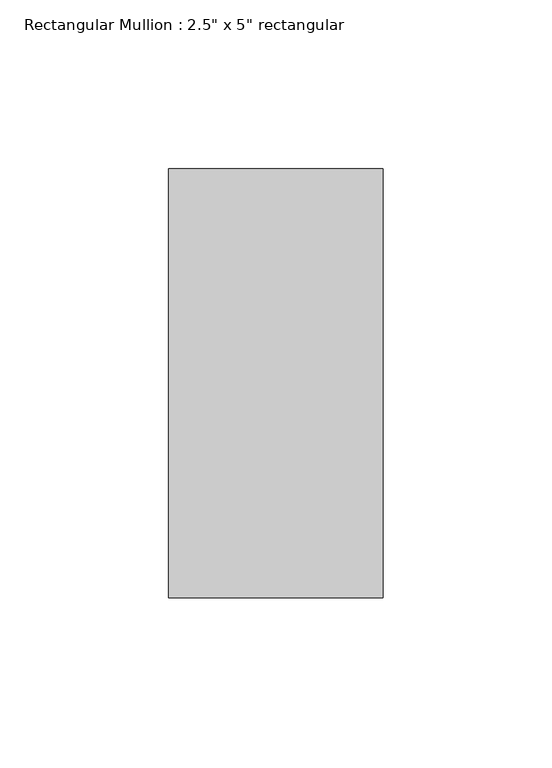
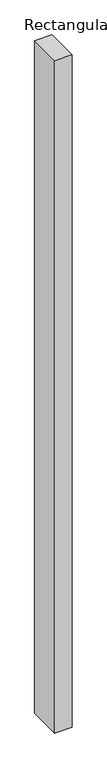
"""IFC4 building model written with IfcOpenShell, lengths in millimetres: member geometry."""

from ifc_helpers import new_model, si_unit, frame, origin, place, context, project, spatial, polyline, outline, extrude, source, transform, mapped, element, save


def member_b7adc644(model_context):
    return source(origin(), model_context, "Body", "SweptSolid", [
        extrude(outline(polyline([(0.0, 63.5), (0.0, -63.5), (-63.5, -63.5), (-63.5, 63.5), (0.0, 63.5)])), frame((0.0, 0.0, -2595.2529293), z_axis=(0.0, 0.0, 1.0), x_axis=(1.0, 0.0, 0.0)), (0.0, 0.0, 1.0), 2595.2529293),
    ])


if __name__ == "__main__":
    model = new_model("IFC4")
    model_context = context("Model", 3, world=origin())
    ifc_project = project(units=[si_unit("LENGTHUNIT", "METRE", prefix="MILLI")], contexts=[model_context])
    site = spatial("IfcSite", under=ifc_project)
    building = spatial("IfcBuilding", under=site)
    placement = place(None, origin())
    member_shape = member_b7adc644(model_context)
    element("IfcMember", 1, ObjectType="Rectangular Mullion : 2.5\" x 5\" rectangular", at=placement, inside=building, context=model_context, shape_type="MappedRepresentation", body=[
        mapped(member_shape, transform((0.0, 0.0, 0.0), x_axis=(1.0, 0.0, 0.0), y_axis=(0.0, 1.0, 0.0), z_axis=(0.0, 0.0, 1.0))),
    ])
    save(model, "model.ifc")
